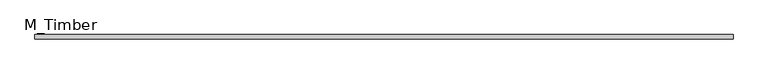
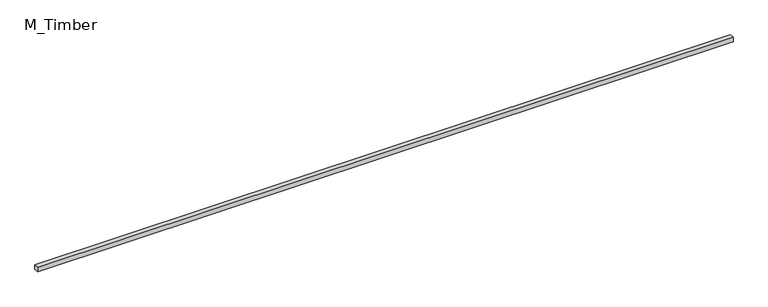
"""IFC4 building model written with IfcOpenShell, lengths in millimetres: beam geometry, M_Timber."""

from ifc_helpers import new_model, si_unit, frame, origin, place, context, project, spatial, polyline, outline, extrude, source, transform, mapped, element, save


def m_timber_56887485(model_context):
    return source(origin(), model_context, "Body", "SweptSolid", [
        extrude(outline(polyline([(3090.1321911, 20.0), (3090.1321911, -20.0), (-3090.1321911, -20.0), (-3090.1321911, 20.0), (3090.1321911, 20.0)])), frame((0.0, 0.0, -20.0), z_axis=(0.0, 0.0, 1.0), x_axis=(1.0, 0.0, 0.0)), (0.0, 0.0, 1.0), 40.0),
    ])


if __name__ == "__main__":
    model = new_model("IFC4")
    model_context = context("Model", 3, world=origin())
    ifc_project = project(units=[si_unit("LENGTHUNIT", "METRE", prefix="MILLI")], contexts=[model_context])
    site = spatial("IfcSite", under=ifc_project)
    building = spatial("IfcBuilding", under=site)
    placement = place(None, origin())
    m_timber_shape = m_timber_56887485(model_context)
    element("IfcBeam", 1, ObjectType="M_Timber", at=placement, inside=building, context=model_context, shape_type="MappedRepresentation", body=[
        mapped(m_timber_shape, transform((0.0, 0.0, 0.0), x_axis=(1.0, 0.0, 0.0), y_axis=(0.0, 1.0, 0.0), z_axis=(0.0, 0.0, 1.0))),
    ])
    save(model, "model.ifc")
